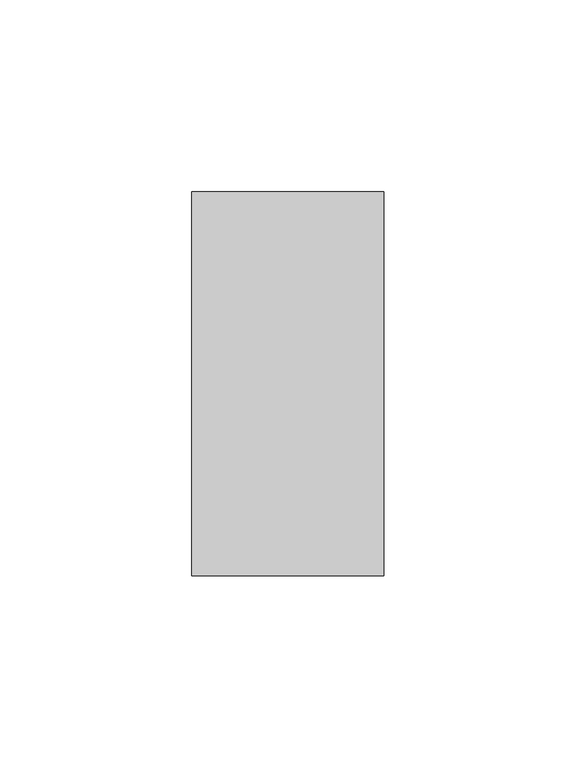
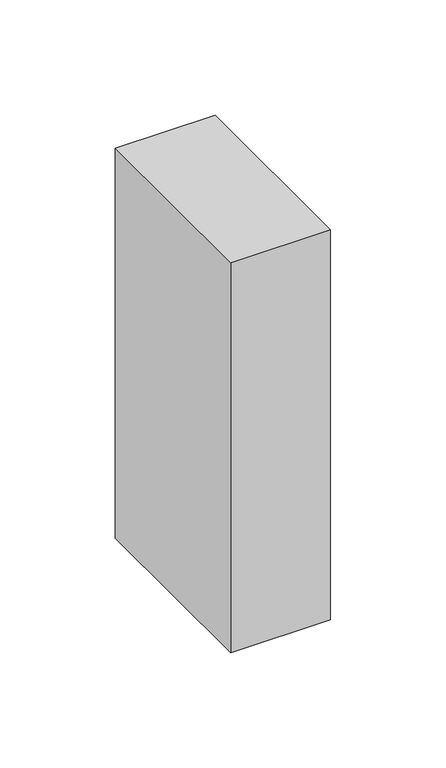
"""IFC4 building model written with IfcOpenShell, lengths in millimetres: member geometry."""

from ifc_helpers import new_model, si_unit, frame, origin, place, context, project, spatial, polyline, outline, extrude, source, transform, mapped, element, save


def member_96c02af7(model_context):
    return source(origin(), model_context, "Body", "SweptSolid", [
        extrude(outline(polyline([(25.0, 50.0), (25.0, -50.0), (-25.0, -50.0), (-25.0, 50.0), (25.0, 50.0)])), frame((0.0, 0.0, -206.4596055), z_axis=(0.0, 0.0, 1.0), x_axis=(1.0, 0.0, 0.0)), (0.0, 0.0, 1.0), 206.4596055),
    ])


if __name__ == "__main__":
    model = new_model("IFC4")
    model_context = context("Model", 3, world=origin())
    ifc_project = project(units=[si_unit("LENGTHUNIT", "METRE", prefix="MILLI")], contexts=[model_context])
    site = spatial("IfcSite", under=ifc_project)
    building = spatial("IfcBuilding", under=site)
    placement = place(None, origin())
    member_shape = member_96c02af7(model_context)
    element("IfcMember", 1, at=placement, inside=building, context=model_context, shape_type="MappedRepresentation", body=[
        mapped(member_shape, transform((0.0, 0.0, 0.0), x_axis=(1.0, 0.0, 0.0), y_axis=(0.0, 1.0, 0.0), z_axis=(0.0, 0.0, 1.0))),
    ])
    save(model, "model.ifc")
